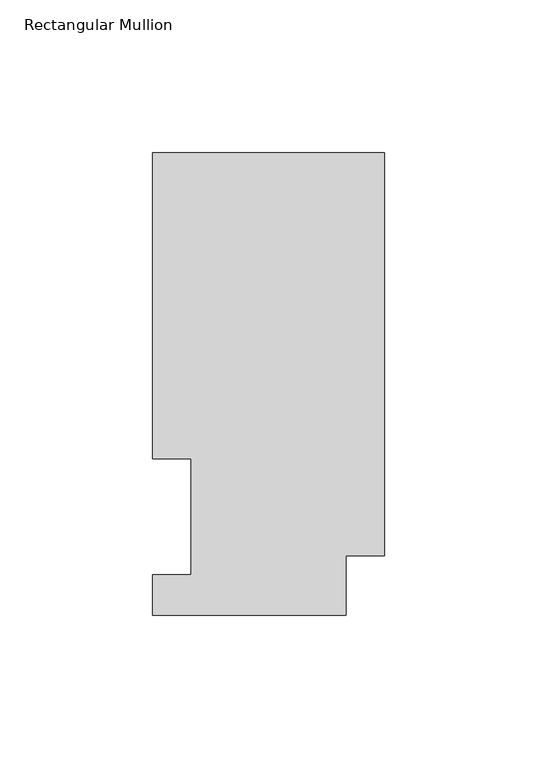
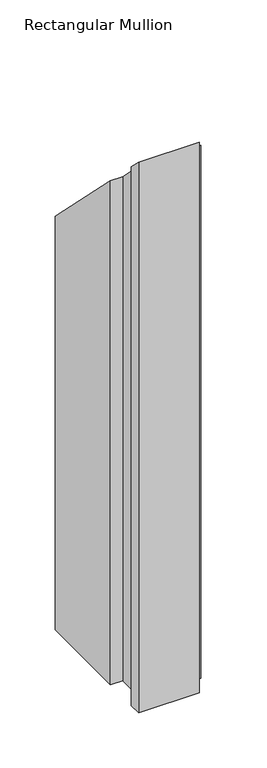
"""IFC4 building model written with IfcOpenShell, lengths in millimetres: member geometry, Rectangular Mullion."""

from ifc_helpers import new_model, si_unit, origin, place, context, project, spatial, faceted_brep, source, transform, mapped, element, save


def rectangular_mullion_8c342da5(model_context):
    return source(origin(), model_context, "Body", "Brep", [
        faceted_brep([(0.0, 151.7027918, -609.6), (0.0, 19.5460937, -609.6), (-12.7, 19.5460937, -609.6), (-12.7, 0.0139918, -609.6), (-76.2, 0.0139918, -609.6), (-76.2, 13.1965918, -609.6), (-63.5, 13.1965918, -609.6), (-63.5, 51.2960938, -609.6), (-76.2, 51.2960938, -609.6), (-76.2, 151.7027918, -609.6), (-76.2, 151.7027918, -151.7027918), (0.0, 151.7027918, -151.7027918), (-76.2, 51.2960938, -51.2960937), (-63.5, 51.2960938, -51.2960937), (-63.5, 13.1965918, -13.1965918), (-76.2, 13.1965918, -13.1965918), (-76.2, 0.0139918, -0.0139918), (-12.7, 0.0139918, -0.0139918), (-12.7, 19.5460937, -19.5460937), (0.0, 19.5460937, -19.5460937)], [[[0, 1, 2, 3, 4, 5, 6, 7, 8, 9]], [[10, 11, 0, 9]], [[12, 10, 9, 8]], [[13, 12, 8, 7]], [[14, 13, 7, 6]], [[15, 14, 6, 5]], [[16, 15, 5, 4]], [[17, 16, 4, 3]], [[18, 17, 3, 2]], [[19, 18, 2, 1]], [[11, 19, 1, 0]], [[11, 10, 12, 13, 14, 15, 16, 17, 18, 19]]]),
    ])


if __name__ == "__main__":
    model = new_model("IFC4")
    model_context = context("Model", 3, world=origin())
    ifc_project = project(units=[si_unit("LENGTHUNIT", "METRE", prefix="MILLI")], contexts=[model_context])
    site = spatial("IfcSite", under=ifc_project)
    building = spatial("IfcBuilding", under=site)
    placement = place(None, origin())
    rectangular_mullion_shape = rectangular_mullion_8c342da5(model_context)
    element("IfcMember", 1, ObjectType="Rectangular Mullion", at=placement, inside=building, context=model_context, shape_type="MappedRepresentation", body=[
        mapped(rectangular_mullion_shape, transform((0.0, 0.0, 0.0), x_axis=(1.0, 0.0, 0.0), y_axis=(0.0, 1.0, 0.0), z_axis=(0.0, 0.0, 1.0))),
    ])
    save(model, "model.ifc")
